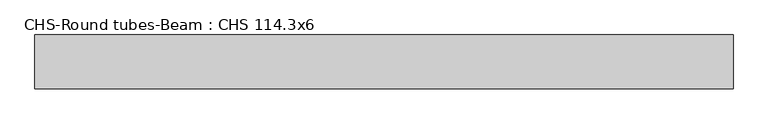
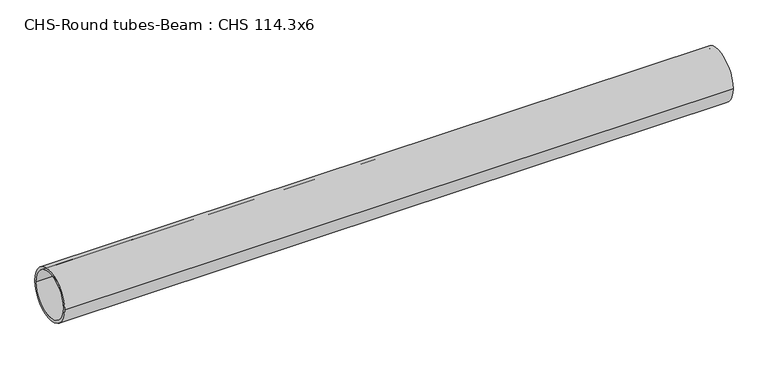
"""IFC4 building model written with IfcOpenShell, lengths in millimetres: beam geometry, CHS-Round tubes-Beam : CHS 114.3x6."""

from ifc_helpers import new_model, si_unit, point, frame, origin, origin_2d, place, context, project, spatial, circle_curve, trimmed, segment, composite_curve, outline, extrude, source, transform, mapped, element, save


def chs_round_tubes_beam_chs_114_3x6_dd01d753(model_context):
    return source(origin(), model_context, "Body", "SweptSolid", [
        extrude(outline(composite_curve([segment(trimmed(circle_curve(origin_2d(), 57.15), [point((57.15, 0.0))], [point((-57.15, 0.0))], False, "CARTESIAN"), True, "CONTINUOUS"), segment(trimmed(circle_curve(origin_2d(), 57.15), [point((-57.15, 0.0))], [point((57.15, 0.0))], False, "CARTESIAN"), True, "CONTINUOUS")], self_intersect=False), holes=[composite_curve([segment(trimmed(circle_curve(origin_2d(), 51.15), [point((51.15, 0.0))], [point((-51.15, 0.0))], True, "CARTESIAN"), True, "CONTINUOUS"), segment(trimmed(circle_curve(origin_2d(), 51.15), [point((-51.15, 0.0))], [point((51.15, 0.0))], True, "CARTESIAN"), True, "CONTINUOUS")], self_intersect=False)]), frame((-755.3460753, 0.0, 0.0), z_axis=(1.0, 0.0, 0.0), x_axis=(0.0, 1.0, 0.0)), (0.0, 0.0, 1.0), 1482.3828348),
    ])


if __name__ == "__main__":
    model = new_model("IFC4")
    model_context = context("Model", 3, world=origin())
    ifc_project = project(units=[si_unit("LENGTHUNIT", "METRE", prefix="MILLI")], contexts=[model_context])
    site = spatial("IfcSite", under=ifc_project)
    building = spatial("IfcBuilding", under=site)
    placement = place(None, origin())
    chs_round_tubes_beam_chs_114_3x6_shape = chs_round_tubes_beam_chs_114_3x6_dd01d753(model_context)
    element("IfcBeam", 1, ObjectType="CHS-Round tubes-Beam : CHS 114.3x6", at=placement, inside=building, context=model_context, shape_type="MappedRepresentation", body=[
        mapped(chs_round_tubes_beam_chs_114_3x6_shape, transform((0.0, 0.0, 0.0), x_axis=(1.0, 0.0, 0.0), y_axis=(0.0, 1.0, 0.0), z_axis=(0.0, 0.0, 1.0))),
    ])
    save(model, "model.ifc")
